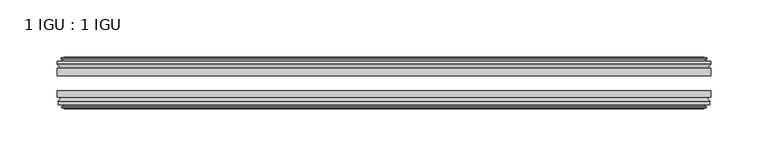
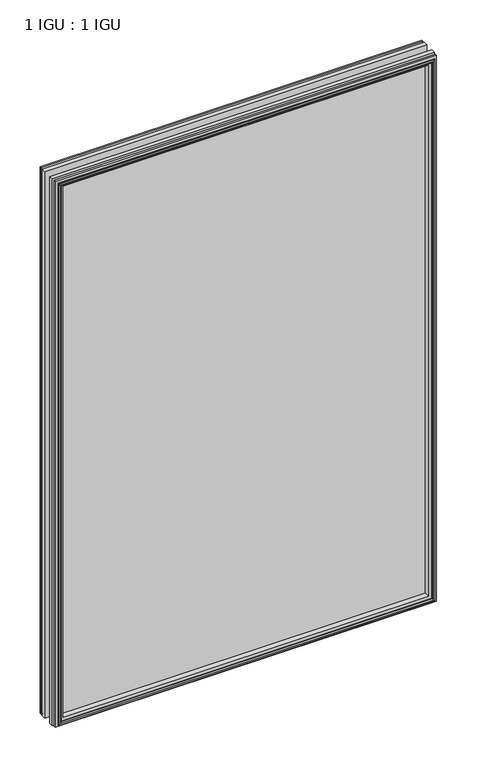
"""IFC4 building model written with IfcOpenShell, lengths in millimetres: plate geometry, 1 IGU : 1 IGU."""

from ifc_helpers import new_model, si_unit, frame, origin, place, context, project, spatial, polyline, outline, extrude, faceted_brep, source, transform, mapped, element, save


def plate_1_igu_1_igu_6ceda833(model_context):
    return source(origin(), model_context, "Body", "SolidModel", [
        extrude(outline(polyline([(285.75, -25.8960937), (285.75, -32.2460938), (-285.75, -32.2460938), (-285.75, -25.8960937), (285.75, -25.8960937)])), frame((0.0, 0.0, -12.7), z_axis=(0.0, 0.0, 1.0), x_axis=(1.0, 0.0, 0.0)), (0.0, 0.0, 1.0), 863.6),
        extrude(outline(polyline([(-285.75, -51.2960938), (-285.75, -45.2686737), (285.75, -45.2686737), (285.75, -51.2960938), (-285.75, -51.2960938)])), frame((0.0, 0.0, -12.7), z_axis=(0.0, 0.0, 1.0), x_axis=(1.0, 0.0, 0.0)), (0.0, 0.0, 1.0), 863.6),
        faceted_brep([(-280.162, -60.0262907, 845.312), (-280.543, -57.6460937, 845.693), (-280.543, -57.6460937, -7.493), (-280.162, -60.0262907, -7.112), (-281.5775291, -59.5663575, 846.7275291), (-281.5775291, -59.5663575, -8.5275291), (-281.5775291, -60.3675717, 846.7275291), (-281.5775291, -60.3675717, -8.5275291), (-279.4, -61.0750937, 844.55), (-279.4, -61.0750937, -6.35), (-277.2224709, -60.3675717, 842.3724709), (-277.2224709, -60.3675717, -4.1724709), (-277.2224709, -59.5663575, 842.3724709), (-277.2224709, -59.5663575, -4.1724709), (-278.638, -60.0262907, 843.788), (-278.638, -60.0262907, -5.588), (-278.257, -57.6460937, 843.407), (-278.257, -57.6460937, -5.207), (-271.3322819, -51.2960937, 836.4822819), (-273.05, -57.6460937, 838.2), (-273.05, -57.6460937, 0.0), (-271.3322819, -51.2960937, 1.7177181), (-284.988, -54.6996937, 850.138), (-282.1536578, -51.2960937, 847.3036578), (-282.1536578, -51.2960937, -9.1036578), (-284.988, -54.6996937, -11.938), (-284.988, -57.6460937, 850.138), (-284.988, -57.6460937, -11.938), (280.543, -57.6460938, -7.493), (280.162, -60.0262907, -7.112), (281.5775291, -59.5663575, -8.5275291), (281.5775291, -60.3675717, -8.5275291), (279.4, -61.0750937, -6.35), (277.2224709, -60.3675717, -4.1724709), (277.2224709, -59.5663575, -4.1724709), (278.638, -60.0262907, -5.588), (278.257, -57.6460937, -5.207), (273.05, -57.6460937, 0.0), (271.3322819, -51.2960937, 1.7177181), (282.1536578, -51.2960937, -9.1036578), (284.988, -54.6996937, -11.938), (284.988, -57.6460938, -11.938), (280.543, -57.6460938, 845.693), (280.162, -60.0262907, 845.312), (281.5775291, -59.5663575, 846.7275291), (281.5775291, -60.3675717, 846.7275291), (279.4, -61.0750937, 844.55), (277.2224709, -60.3675717, 842.3724709), (277.2224709, -59.5663575, 842.3724709), (278.638, -60.0262907, 843.788), (278.257, -57.6460937, 843.407), (273.05, -57.6460937, 838.2), (271.3322819, -51.2960937, 836.4822819), (282.1536578, -51.2960937, 847.3036578), (284.988, -54.6996937, 850.138), (284.988, -57.6460938, 850.138)], [[[0, 1, 2, 3]], [[4, 0, 3, 5]], [[6, 4, 5, 7]], [[8, 6, 7, 9]], [[10, 8, 9, 11]], [[12, 10, 11, 13]], [[14, 12, 13, 15]], [[16, 14, 15, 17]], [[18, 19, 20, 21]], [[22, 23, 24, 25]], [[26, 22, 25, 27]], [[3, 2, 28, 29]], [[5, 3, 29, 30]], [[7, 5, 30, 31]], [[9, 7, 31, 32]], [[11, 9, 32, 33]], [[13, 11, 33, 34]], [[15, 13, 34, 35]], [[17, 15, 35, 36]], [[21, 20, 37, 38]], [[25, 24, 39, 40]], [[27, 25, 40, 41]], [[29, 28, 42, 43]], [[30, 29, 43, 44]], [[31, 30, 44, 45]], [[32, 31, 45, 46]], [[33, 32, 46, 47]], [[34, 33, 47, 48]], [[35, 34, 48, 49]], [[36, 35, 49, 50]], [[38, 37, 51, 52]], [[40, 39, 53, 54]], [[41, 40, 54, 55]], [[27, 41, 55, 26], [1, 42, 28, 2]], [[43, 42, 1, 0]], [[44, 43, 0, 4]], [[45, 44, 4, 6]], [[46, 45, 6, 8]], [[47, 46, 8, 10]], [[48, 47, 10, 12]], [[49, 48, 12, 14]], [[50, 49, 14, 16]], [[17, 36, 50, 16], [19, 51, 37, 20]], [[52, 51, 19, 18]], [[23, 53, 39, 24], [21, 38, 52, 18]], [[54, 53, 23, 22]], [[55, 54, 22, 26]]]),
        faceted_brep([(-282.6743578, -25.8960937, 847.8243578), (-285.5087, -22.4924937, 850.6587), (-285.5087, -22.4924937, -12.4587), (-282.6743578, -25.8960937, -9.6243578), (-273.5707, -19.5460937, 838.7207), (-271.8529819, -25.8960937, 837.0029819), (-271.8529819, -25.8960937, 1.1970181), (-273.5707, -19.5460937, -0.5207), (-279.1587, -17.1658968, 844.3087), (-278.7777, -19.5460937, 843.9277), (-278.7777, -19.5460937, -5.7277), (-279.1587, -17.1658968, -6.1087), (-277.7431709, -17.62583, 842.8931709), (-277.7431709, -17.62583, -4.6931709), (-277.7431709, -16.8246158, 842.8931709), (-277.7431709, -16.8246158, -4.6931709), (-279.9207, -16.1170937, 845.0707), (-279.9207, -16.1170937, -6.8707), (-282.0982291, -16.8246158, 847.2482291), (-282.0982291, -16.8246158, -9.0482291), (-282.0982291, -17.62583, 847.2482291), (-282.0982291, -17.62583, -9.0482291), (-280.6827, -17.1658968, 845.8327), (-280.6827, -17.1658968, -7.6327), (-281.0637, -19.5460937, 846.2137), (-281.0637, -19.5460937, -8.0137), (-285.5087, -19.5460937, 850.6587), (-285.5087, -19.5460937, -12.4587), (285.5087, -22.4924937, -12.4587), (282.6743578, -25.8960937, -9.6243578), (271.8529819, -25.8960937, 1.1970181), (273.5707, -19.5460937, -0.5207), (278.7777, -19.5460937, -5.7277), (279.1587, -17.1658968, -6.1087), (277.7431709, -17.62583, -4.6931709), (277.7431709, -16.8246158, -4.6931709), (279.9207, -16.1170937, -6.8707), (282.0982291, -16.8246158, -9.0482291), (282.0982291, -17.62583, -9.0482291), (280.6827, -17.1658968, -7.6327), (281.0637, -19.5460937, -8.0137), (285.5087, -19.5460937, -12.4587), (285.5087, -22.4924937, 850.6587), (282.6743578, -25.8960937, 847.8243578), (271.8529819, -25.8960937, 837.0029819), (273.5707, -19.5460937, 838.7207), (278.7777, -19.5460937, 843.9277), (279.1587, -17.1658968, 844.3087), (277.7431709, -17.62583, 842.8931709), (277.7431709, -16.8246158, 842.8931709), (279.9207, -16.1170937, 845.0707), (282.0982291, -16.8246158, 847.2482291), (282.0982291, -17.62583, 847.2482291), (280.6827, -17.1658968, 845.8327), (281.0637, -19.5460937, 846.2137), (285.5087, -19.5460937, 850.6587)], [[[0, 1, 2, 3]], [[4, 5, 6, 7]], [[8, 9, 10, 11]], [[12, 8, 11, 13]], [[14, 12, 13, 15]], [[16, 14, 15, 17]], [[18, 16, 17, 19]], [[20, 18, 19, 21]], [[22, 20, 21, 23]], [[24, 22, 23, 25]], [[1, 26, 27, 2]], [[3, 2, 28, 29]], [[7, 6, 30, 31]], [[11, 10, 32, 33]], [[13, 11, 33, 34]], [[15, 13, 34, 35]], [[17, 15, 35, 36]], [[19, 17, 36, 37]], [[21, 19, 37, 38]], [[23, 21, 38, 39]], [[25, 23, 39, 40]], [[2, 27, 41, 28]], [[29, 28, 42, 43]], [[31, 30, 44, 45]], [[33, 32, 46, 47]], [[34, 33, 47, 48]], [[35, 34, 48, 49]], [[36, 35, 49, 50]], [[37, 36, 50, 51]], [[38, 37, 51, 52]], [[39, 38, 52, 53]], [[40, 39, 53, 54]], [[28, 41, 55, 42]], [[43, 42, 1, 0]], [[3, 29, 43, 0], [5, 44, 30, 6]], [[45, 44, 5, 4]], [[9, 46, 32, 10], [7, 31, 45, 4]], [[47, 46, 9, 8]], [[48, 47, 8, 12]], [[49, 48, 12, 14]], [[50, 49, 14, 16]], [[51, 50, 16, 18]], [[52, 51, 18, 20]], [[53, 52, 20, 22]], [[54, 53, 22, 24]], [[26, 55, 41, 27], [25, 40, 54, 24]], [[42, 55, 26, 1]]]),
    ])


if __name__ == "__main__":
    model = new_model("IFC4")
    model_context = context("Model", 3, world=origin())
    ifc_project = project(units=[si_unit("LENGTHUNIT", "METRE", prefix="MILLI")], contexts=[model_context])
    site = spatial("IfcSite", under=ifc_project)
    building = spatial("IfcBuilding", under=site)
    placement = place(None, origin())
    plate_1_igu_1_igu_shape = plate_1_igu_1_igu_6ceda833(model_context)
    element("IfcPlate", 1, ObjectType="1 IGU : 1 IGU", at=placement, inside=building, context=model_context, shape_type="MappedRepresentation", body=[
        mapped(plate_1_igu_1_igu_shape, transform((0.0, 0.0, 0.0), x_axis=(1.0, 0.0, 0.0), y_axis=(0.0, 1.0, 0.0), z_axis=(0.0, 0.0, 1.0))),
    ])
    save(model, "model.ifc")
